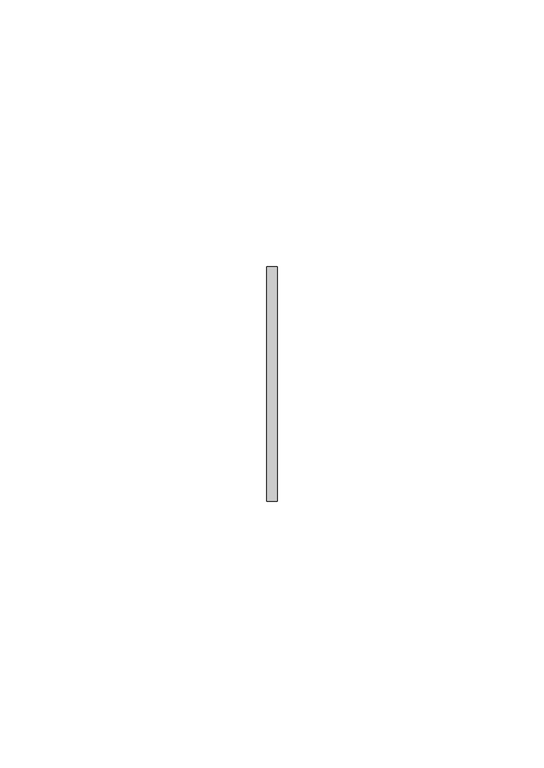
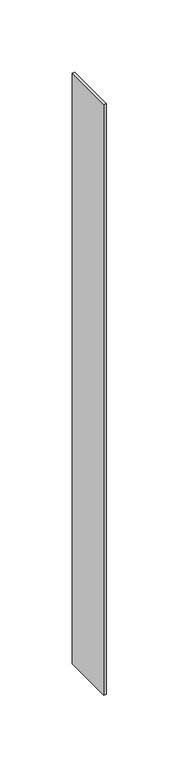
"""IFC4 building model written with IfcOpenShell, lengths in millimetres: member geometry."""

from ifc_helpers import new_model, si_unit, frame, origin, place, context, project, spatial, polyline, outline, extrude, source, transform, mapped, element, save


def member_a484846d(model_context):
    return source(origin(), model_context, "Body", "SweptSolid", [
        extrude(outline(polyline([(1.0, 22.0), (1.0, -22.0), (-1.0, -22.0), (-1.0, 22.0), (1.0, 22.0)])), frame((0.0, 0.0, -500.0), z_axis=(0.0, 0.0, 1.0), x_axis=(1.0, 0.0, 0.0)), (0.0, 0.0, 1.0), 500.0),
    ])


if __name__ == "__main__":
    model = new_model("IFC4")
    model_context = context("Model", 3, world=origin())
    ifc_project = project(units=[si_unit("LENGTHUNIT", "METRE", prefix="MILLI")], contexts=[model_context])
    site = spatial("IfcSite", under=ifc_project)
    building = spatial("IfcBuilding", under=site)
    placement = place(None, origin())
    member_shape = member_a484846d(model_context)
    element("IfcMember", 1, at=placement, inside=building, context=model_context, shape_type="MappedRepresentation", body=[
        mapped(member_shape, transform((0.0, 0.0, 0.0), x_axis=(1.0, 0.0, 0.0), y_axis=(0.0, 1.0, 0.0), z_axis=(0.0, 0.0, 1.0))),
    ])
    save(model, "model.ifc")
